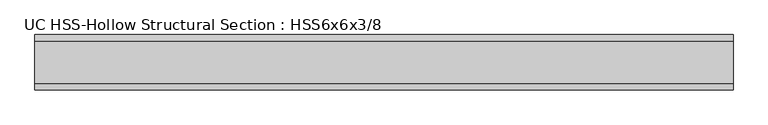
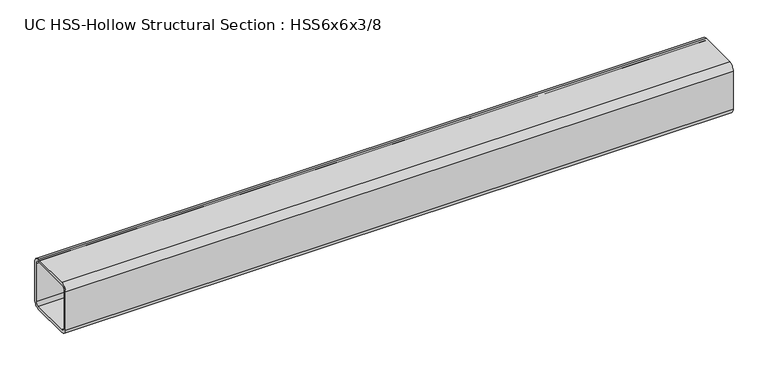
"""IFC4 building model written with IfcOpenShell, lengths in millimetres: beam geometry, UC HSS-Hollow Structural Section : HSS6x6x3/8."""

from ifc_helpers import new_model, si_unit, point, frame, frame_2d, origin, place, context, project, spatial, polyline, circle_curve, trimmed, segment, composite_curve, outline, extrude, source, transform, mapped, element, save


def uc_hss_hollow_structural_section_hss6x6x3_8_4e6f01a9(model_context):
    return source(origin(), model_context, "Body", "SweptSolid", [
        extrude(outline(composite_curve([segment(polyline([(76.2, 58.4708), (76.2, -58.4708)]), True, "CONTINUOUS"), segment(trimmed(circle_curve(frame_2d((58.4708, -58.4708)), 17.7292), [point((76.2, -58.4708))], [point((58.4708, -76.2))], False, "CARTESIAN"), True, "CONTINUOUS"), segment(polyline([(58.4708, -76.2), (-58.4708, -76.2)]), True, "CONTINUOUS"), segment(trimmed(circle_curve(frame_2d((-58.4708, -58.4708)), 17.7292), [point((-58.4708, -76.2))], [point((-76.2, -58.4708))], False, "CARTESIAN"), True, "CONTINUOUS"), segment(polyline([(-76.2, -58.4708), (-76.2, 58.4708)]), True, "CONTINUOUS"), segment(trimmed(circle_curve(frame_2d((-58.4708, 58.4708)), 17.7292), [point((-76.2, 58.4708))], [point((-58.4708, 76.2))], False, "CARTESIAN"), True, "CONTINUOUS"), segment(polyline([(-58.4708, 76.2), (58.4708, 76.2)]), True, "CONTINUOUS"), segment(trimmed(circle_curve(frame_2d((58.4708, 58.4708)), 17.7292), [point((58.4708, 76.2))], [point((76.2, 58.4708))], False, "CARTESIAN"), True, "CONTINUOUS")], self_intersect=False), holes=[composite_curve([segment(trimmed(circle_curve(frame_2d((-58.4708, 58.4708)), 8.8646), [point((-58.4708, 67.3354))], [point((-67.3354, 58.4708))], True, "CARTESIAN"), True, "CONTINUOUS"), segment(polyline([(-67.3354, 58.4708), (-67.3354, -58.4708)]), True, "CONTINUOUS"), segment(trimmed(circle_curve(frame_2d((-58.4708, -58.4708)), 8.8646), [point((-67.3354, -58.4708))], [point((-58.4708, -67.3354))], True, "CARTESIAN"), True, "CONTINUOUS"), segment(polyline([(-58.4708, -67.3354), (58.4708, -67.3354)]), True, "CONTINUOUS"), segment(trimmed(circle_curve(frame_2d((58.4708, -58.4708)), 8.8646), [point((58.4708, -67.3354))], [point((67.3354, -58.4708))], True, "CARTESIAN"), True, "CONTINUOUS"), segment(polyline([(67.3354, -58.4708), (67.3354, 58.4708)]), True, "CONTINUOUS"), segment(trimmed(circle_curve(frame_2d((58.4708, 58.4708)), 8.8646), [point((67.3354, 58.4708))], [point((58.4708, 67.3354))], True, "CARTESIAN"), True, "CONTINUOUS"), segment(polyline([(58.4708, 67.3354), (-58.4708, 67.3354)]), True, "CONTINUOUS")], self_intersect=False)]), frame((-900.4773497, 0.0, 0.0), z_axis=(1.0, 0.0, 0.0), x_axis=(0.0, 1.0, 0.0)), (0.0, 0.0, 1.0), 1925.0723297),
    ])


if __name__ == "__main__":
    model = new_model("IFC4")
    model_context = context("Model", 3, world=origin())
    ifc_project = project(units=[si_unit("LENGTHUNIT", "METRE", prefix="MILLI")], contexts=[model_context])
    site = spatial("IfcSite", under=ifc_project)
    building = spatial("IfcBuilding", under=site)
    placement = place(None, origin())
    uc_hss_hollow_structural_section_hss6x6x3_8_shape = uc_hss_hollow_structural_section_hss6x6x3_8_4e6f01a9(model_context)
    element("IfcBeam", 1, ObjectType="UC HSS-Hollow Structural Section : HSS6x6x3/8", at=placement, inside=building, context=model_context, shape_type="MappedRepresentation", body=[
        mapped(uc_hss_hollow_structural_section_hss6x6x3_8_shape, transform((0.0, 0.0, 0.0), x_axis=(1.0, 0.0, 0.0), y_axis=(0.0, 1.0, 0.0), z_axis=(0.0, 0.0, 1.0))),
    ])
    save(model, "model.ifc")
